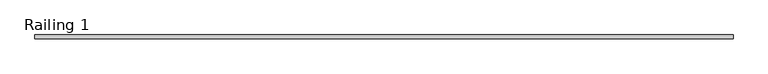
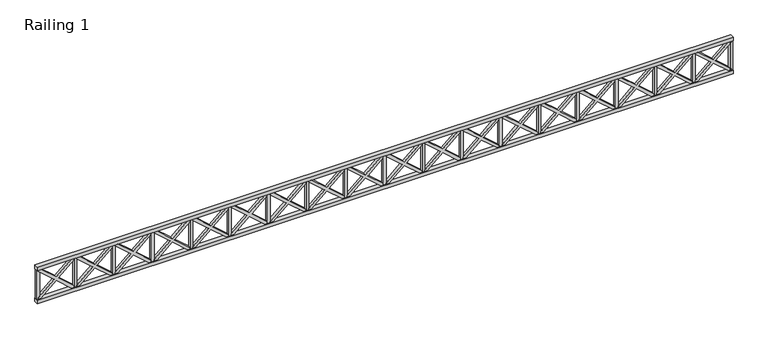
"""IFC4 building model written with IfcOpenShell, lengths in millimetres: railing geometry, Railing 1."""

from ifc_helpers import new_model, si_unit, frame, origin, origin_with_axes, place, context, project, spatial, polyline, outline, extrude, source, transform, mapped, element, save


def railing_1_b7f471b1(model_context):
    return source(origin(), model_context, "Body", "SweptSolid", [
        extrude(outline(polyline([(-920.8860759, 2912.0604782), (-920.8860759, 2962.0604782), (8079.1139241, 2962.0604782), (8079.1139241, 2912.0604782), (-920.8860759, 2912.0604782)])), origin_with_axes(), (0.0, 0.0, 1.0), 50.0),
        extrude(outline(polyline([(-920.8860759, 2912.0604782), (-920.8860759, 2962.0604782), (8079.1139241, 2962.0604782), (8079.1139241, 2912.0604782), (-920.8860759, 2912.0604782)])), frame((0.0, 0.0, 450.0), z_axis=(0.0, 0.0, 1.0), x_axis=(1.0, 0.0, 0.0)), (0.0, 0.0, 1.0), 50.0),
        extrude(outline(polyline([(450.0, 7596.6139241), (430.861956, 7596.6139241), (250.0, 7802.5911086), (69.138044, 7596.6139241), (50.0, 7596.6139241), (50.0, 7627.8639241), (226.7111669, 7829.1139241), (50.0, 8030.3639241), (50.0, 8061.6139241), (69.138044, 8061.6139241), (250.0, 7855.6367395), (430.861956, 8061.6139241), (450.0, 8061.6139241), (450.0, 8030.3639241), (273.2888331, 7829.1139241), (450.0, 7627.8639241), (450.0, 7596.6139241)])), frame((0.0, 2919.5604782, 0.0), z_axis=(0.0, 1.0, 0.0), x_axis=(0.0, 0.0, 1.0)), (0.0, 0.0, 1.0), 35.0),
        extrude(outline(polyline([(7561.6139241, 2954.5604782), (7596.6139241, 2954.5604782), (7596.6139241, 2919.5604782), (7561.6139241, 2919.5604782), (7561.6139241, 2954.5604782)])), frame((0.0, 0.0, 50.0), z_axis=(0.0, 0.0, 1.0), x_axis=(1.0, 0.0, 0.0)), (0.0, 0.0, 1.0), 400.0),
        extrude(outline(polyline([(450.0, 7096.6139241), (430.861956, 7096.6139241), (250.0, 7302.5911086), (69.138044, 7096.6139241), (50.0, 7096.6139241), (50.0, 7127.8639241), (226.7111669, 7329.1139241), (50.0, 7530.3639241), (50.0, 7561.6139241), (69.138044, 7561.6139241), (250.0, 7355.6367395), (430.861956, 7561.6139241), (450.0, 7561.6139241), (450.0, 7530.3639241), (273.2888331, 7329.1139241), (450.0, 7127.8639241), (450.0, 7096.6139241)])), frame((0.0, 2919.5604782, 0.0), z_axis=(0.0, 1.0, 0.0), x_axis=(0.0, 0.0, 1.0)), (0.0, 0.0, 1.0), 35.0),
        extrude(outline(polyline([(7061.6139241, 2954.5604782), (7096.6139241, 2954.5604782), (7096.6139241, 2919.5604782), (7061.6139241, 2919.5604782), (7061.6139241, 2954.5604782)])), frame((0.0, 0.0, 50.0), z_axis=(0.0, 0.0, 1.0), x_axis=(1.0, 0.0, 0.0)), (0.0, 0.0, 1.0), 400.0),
        extrude(outline(polyline([(450.0, 6596.6139241), (430.861956, 6596.6139241), (250.0, 6802.5911086), (69.138044, 6596.6139241), (50.0, 6596.6139241), (50.0, 6627.8639241), (226.7111669, 6829.1139241), (50.0, 7030.3639241), (50.0, 7061.6139241), (69.138044, 7061.6139241), (250.0, 6855.6367395), (430.861956, 7061.6139241), (450.0, 7061.6139241), (450.0, 7030.3639241), (273.2888331, 6829.1139241), (450.0, 6627.8639241), (450.0, 6596.6139241)])), frame((0.0, 2919.5604782, 0.0), z_axis=(0.0, 1.0, 0.0), x_axis=(0.0, 0.0, 1.0)), (0.0, 0.0, 1.0), 35.0),
        extrude(outline(polyline([(6561.6139241, 2954.5604782), (6596.6139241, 2954.5604782), (6596.6139241, 2919.5604782), (6561.6139241, 2919.5604782), (6561.6139241, 2954.5604782)])), frame((0.0, 0.0, 50.0), z_axis=(0.0, 0.0, 1.0), x_axis=(1.0, 0.0, 0.0)), (0.0, 0.0, 1.0), 400.0),
        extrude(outline(polyline([(450.0, 6096.6139241), (430.861956, 6096.6139241), (250.0, 6302.5911086), (69.138044, 6096.6139241), (50.0, 6096.6139241), (50.0, 6127.8639241), (226.7111669, 6329.1139241), (50.0, 6530.3639241), (50.0, 6561.6139241), (69.138044, 6561.6139241), (250.0, 6355.6367395), (430.861956, 6561.6139241), (450.0, 6561.6139241), (450.0, 6530.3639241), (273.2888331, 6329.1139241), (450.0, 6127.8639241), (450.0, 6096.6139241)])), frame((0.0, 2919.5604782, 0.0), z_axis=(0.0, 1.0, 0.0), x_axis=(0.0, 0.0, 1.0)), (0.0, 0.0, 1.0), 35.0),
        extrude(outline(polyline([(6061.6139241, 2954.5604782), (6096.6139241, 2954.5604782), (6096.6139241, 2919.5604782), (6061.6139241, 2919.5604782), (6061.6139241, 2954.5604782)])), frame((0.0, 0.0, 50.0), z_axis=(0.0, 0.0, 1.0), x_axis=(1.0, 0.0, 0.0)), (0.0, 0.0, 1.0), 400.0),
        extrude(outline(polyline([(450.0, 5596.6139241), (430.861956, 5596.6139241), (250.0, 5802.5911086), (69.138044, 5596.6139241), (50.0, 5596.6139241), (50.0, 5627.8639241), (226.7111669, 5829.1139241), (50.0, 6030.3639241), (50.0, 6061.6139241), (69.138044, 6061.6139241), (250.0, 5855.6367395), (430.861956, 6061.6139241), (450.0, 6061.6139241), (450.0, 6030.3639241), (273.2888331, 5829.1139241), (450.0, 5627.8639241), (450.0, 5596.6139241)])), frame((0.0, 2919.5604782, 0.0), z_axis=(0.0, 1.0, 0.0), x_axis=(0.0, 0.0, 1.0)), (0.0, 0.0, 1.0), 35.0),
        extrude(outline(polyline([(5561.6139241, 2954.5604782), (5596.6139241, 2954.5604782), (5596.6139241, 2919.5604782), (5561.6139241, 2919.5604782), (5561.6139241, 2954.5604782)])), frame((0.0, 0.0, 50.0), z_axis=(0.0, 0.0, 1.0), x_axis=(1.0, 0.0, 0.0)), (0.0, 0.0, 1.0), 400.0),
        extrude(outline(polyline([(450.0, 5096.6139241), (430.861956, 5096.6139241), (250.0, 5302.5911086), (69.138044, 5096.6139241), (50.0, 5096.6139241), (50.0, 5127.8639241), (226.7111669, 5329.1139241), (50.0, 5530.3639241), (50.0, 5561.6139241), (69.138044, 5561.6139241), (250.0, 5355.6367395), (430.861956, 5561.6139241), (450.0, 5561.6139241), (450.0, 5530.3639241), (273.2888331, 5329.1139241), (450.0, 5127.8639241), (450.0, 5096.6139241)])), frame((0.0, 2919.5604782, 0.0), z_axis=(0.0, 1.0, 0.0), x_axis=(0.0, 0.0, 1.0)), (0.0, 0.0, 1.0), 35.0),
        extrude(outline(polyline([(5061.6139241, 2954.5604782), (5096.6139241, 2954.5604782), (5096.6139241, 2919.5604782), (5061.6139241, 2919.5604782), (5061.6139241, 2954.5604782)])), frame((0.0, 0.0, 50.0), z_axis=(0.0, 0.0, 1.0), x_axis=(1.0, 0.0, 0.0)), (0.0, 0.0, 1.0), 400.0),
        extrude(outline(polyline([(450.0, 4596.6139241), (430.861956, 4596.6139241), (250.0, 4802.5911086), (69.138044, 4596.6139241), (50.0, 4596.6139241), (50.0, 4627.8639241), (226.7111669, 4829.1139241), (50.0, 5030.3639241), (50.0, 5061.6139241), (69.138044, 5061.6139241), (250.0, 4855.6367395), (430.861956, 5061.6139241), (450.0, 5061.6139241), (450.0, 5030.3639241), (273.2888331, 4829.1139241), (450.0, 4627.8639241), (450.0, 4596.6139241)])), frame((0.0, 2919.5604782, 0.0), z_axis=(0.0, 1.0, 0.0), x_axis=(0.0, 0.0, 1.0)), (0.0, 0.0, 1.0), 35.0),
        extrude(outline(polyline([(4561.6139241, 2954.5604782), (4596.6139241, 2954.5604782), (4596.6139241, 2919.5604782), (4561.6139241, 2919.5604782), (4561.6139241, 2954.5604782)])), frame((0.0, 0.0, 50.0), z_axis=(0.0, 0.0, 1.0), x_axis=(1.0, 0.0, 0.0)), (0.0, 0.0, 1.0), 400.0),
        extrude(outline(polyline([(450.0, 4096.6139241), (430.861956, 4096.6139241), (250.0, 4302.5911086), (69.138044, 4096.6139241), (50.0, 4096.6139241), (50.0, 4127.8639241), (226.7111669, 4329.1139241), (50.0, 4530.3639241), (50.0, 4561.6139241), (69.138044, 4561.6139241), (250.0, 4355.6367395), (430.861956, 4561.6139241), (450.0, 4561.6139241), (450.0, 4530.3639241), (273.2888331, 4329.1139241), (450.0, 4127.8639241), (450.0, 4096.6139241)])), frame((0.0, 2919.5604782, 0.0), z_axis=(0.0, 1.0, 0.0), x_axis=(0.0, 0.0, 1.0)), (0.0, 0.0, 1.0), 35.0),
        extrude(outline(polyline([(4061.6139241, 2954.5604782), (4096.6139241, 2954.5604782), (4096.6139241, 2919.5604782), (4061.6139241, 2919.5604782), (4061.6139241, 2954.5604782)])), frame((0.0, 0.0, 50.0), z_axis=(0.0, 0.0, 1.0), x_axis=(1.0, 0.0, 0.0)), (0.0, 0.0, 1.0), 400.0),
        extrude(outline(polyline([(450.0, 3596.6139241), (430.861956, 3596.6139241), (250.0, 3802.5911086), (69.138044, 3596.6139241), (50.0, 3596.6139241), (50.0, 3627.8639241), (226.7111669, 3829.1139241), (50.0, 4030.3639241), (50.0, 4061.6139241), (69.138044, 4061.6139241), (250.0, 3855.6367395), (430.861956, 4061.6139241), (450.0, 4061.6139241), (450.0, 4030.3639241), (273.2888331, 3829.1139241), (450.0, 3627.8639241), (450.0, 3596.6139241)])), frame((0.0, 2919.5604782, 0.0), z_axis=(0.0, 1.0, 0.0), x_axis=(0.0, 0.0, 1.0)), (0.0, 0.0, 1.0), 35.0),
        extrude(outline(polyline([(3561.6139241, 2954.5604782), (3596.6139241, 2954.5604782), (3596.6139241, 2919.5604782), (3561.6139241, 2919.5604782), (3561.6139241, 2954.5604782)])), frame((0.0, 0.0, 50.0), z_axis=(0.0, 0.0, 1.0), x_axis=(1.0, 0.0, 0.0)), (0.0, 0.0, 1.0), 400.0),
        extrude(outline(polyline([(450.0, 3096.6139241), (430.861956, 3096.6139241), (250.0, 3302.5911086), (69.138044, 3096.6139241), (50.0, 3096.6139241), (50.0, 3127.8639241), (226.7111669, 3329.1139241), (50.0, 3530.3639241), (50.0, 3561.6139241), (69.138044, 3561.6139241), (250.0, 3355.6367395), (430.861956, 3561.6139241), (450.0, 3561.6139241), (450.0, 3530.3639241), (273.2888331, 3329.1139241), (450.0, 3127.8639241), (450.0, 3096.6139241)])), frame((0.0, 2919.5604782, 0.0), z_axis=(0.0, 1.0, 0.0), x_axis=(0.0, 0.0, 1.0)), (0.0, 0.0, 1.0), 35.0),
        extrude(outline(polyline([(3061.6139241, 2954.5604782), (3096.6139241, 2954.5604782), (3096.6139241, 2919.5604782), (3061.6139241, 2919.5604782), (3061.6139241, 2954.5604782)])), frame((0.0, 0.0, 50.0), z_axis=(0.0, 0.0, 1.0), x_axis=(1.0, 0.0, 0.0)), (0.0, 0.0, 1.0), 400.0),
        extrude(outline(polyline([(450.0, 2596.6139241), (430.861956, 2596.6139241), (250.0, 2802.5911086), (69.138044, 2596.6139241), (50.0, 2596.6139241), (50.0, 2627.8639241), (226.7111669, 2829.1139241), (50.0, 3030.3639241), (50.0, 3061.6139241), (69.138044, 3061.6139241), (250.0, 2855.6367395), (430.861956, 3061.6139241), (450.0, 3061.6139241), (450.0, 3030.3639241), (273.2888331, 2829.1139241), (450.0, 2627.8639241), (450.0, 2596.6139241)])), frame((0.0, 2919.5604782, 0.0), z_axis=(0.0, 1.0, 0.0), x_axis=(0.0, 0.0, 1.0)), (0.0, 0.0, 1.0), 35.0),
        extrude(outline(polyline([(2561.6139241, 2954.5604782), (2596.6139241, 2954.5604782), (2596.6139241, 2919.5604782), (2561.6139241, 2919.5604782), (2561.6139241, 2954.5604782)])), frame((0.0, 0.0, 50.0), z_axis=(0.0, 0.0, 1.0), x_axis=(1.0, 0.0, 0.0)), (0.0, 0.0, 1.0), 400.0),
        extrude(outline(polyline([(450.0, 2096.6139241), (430.861956, 2096.6139241), (250.0, 2302.5911086), (69.138044, 2096.6139241), (50.0, 2096.6139241), (50.0, 2127.8639241), (226.7111669, 2329.1139241), (50.0, 2530.3639241), (50.0, 2561.6139241), (69.138044, 2561.6139241), (250.0, 2355.6367395), (430.861956, 2561.6139241), (450.0, 2561.6139241), (450.0, 2530.3639241), (273.2888331, 2329.1139241), (450.0, 2127.8639241), (450.0, 2096.6139241)])), frame((0.0, 2919.5604782, 0.0), z_axis=(0.0, 1.0, 0.0), x_axis=(0.0, 0.0, 1.0)), (0.0, 0.0, 1.0), 35.0),
        extrude(outline(polyline([(2061.6139241, 2954.5604782), (2096.6139241, 2954.5604782), (2096.6139241, 2919.5604782), (2061.6139241, 2919.5604782), (2061.6139241, 2954.5604782)])), frame((0.0, 0.0, 50.0), z_axis=(0.0, 0.0, 1.0), x_axis=(1.0, 0.0, 0.0)), (0.0, 0.0, 1.0), 400.0),
        extrude(outline(polyline([(450.0, 1596.6139241), (430.861956, 1596.6139241), (250.0, 1802.5911086), (69.138044, 1596.6139241), (50.0, 1596.6139241), (50.0, 1627.8639241), (226.7111669, 1829.1139241), (50.0, 2030.3639241), (50.0, 2061.6139241), (69.138044, 2061.6139241), (250.0, 1855.6367395), (430.861956, 2061.6139241), (450.0, 2061.6139241), (450.0, 2030.3639241), (273.2888331, 1829.1139241), (450.0, 1627.8639241), (450.0, 1596.6139241)])), frame((0.0, 2919.5604782, 0.0), z_axis=(0.0, 1.0, 0.0), x_axis=(0.0, 0.0, 1.0)), (0.0, 0.0, 1.0), 35.0),
        extrude(outline(polyline([(1561.6139241, 2954.5604782), (1596.6139241, 2954.5604782), (1596.6139241, 2919.5604782), (1561.6139241, 2919.5604782), (1561.6139241, 2954.5604782)])), frame((0.0, 0.0, 50.0), z_axis=(0.0, 0.0, 1.0), x_axis=(1.0, 0.0, 0.0)), (0.0, 0.0, 1.0), 400.0),
        extrude(outline(polyline([(450.0, 1096.6139241), (430.861956, 1096.6139241), (250.0, 1302.5911086), (69.138044, 1096.6139241), (50.0, 1096.6139241), (50.0, 1127.8639241), (226.7111669, 1329.1139241), (50.0, 1530.3639241), (50.0, 1561.6139241), (69.138044, 1561.6139241), (250.0, 1355.6367395), (430.861956, 1561.6139241), (450.0, 1561.6139241), (450.0, 1530.3639241), (273.2888331, 1329.1139241), (450.0, 1127.8639241), (450.0, 1096.6139241)])), frame((0.0, 2919.5604782, 0.0), z_axis=(0.0, 1.0, 0.0), x_axis=(0.0, 0.0, 1.0)), (0.0, 0.0, 1.0), 35.0),
        extrude(outline(polyline([(1061.6139241, 2954.5604782), (1096.6139241, 2954.5604782), (1096.6139241, 2919.5604782), (1061.6139241, 2919.5604782), (1061.6139241, 2954.5604782)])), frame((0.0, 0.0, 50.0), z_axis=(0.0, 0.0, 1.0), x_axis=(1.0, 0.0, 0.0)), (0.0, 0.0, 1.0), 400.0),
        extrude(outline(polyline([(450.0, 596.6139241), (430.861956, 596.6139241), (250.0, 802.5911086), (69.138044, 596.6139241), (50.0, 596.6139241), (50.0, 627.8639241), (226.7111669, 829.1139241), (50.0, 1030.3639241), (50.0, 1061.6139241), (69.138044, 1061.6139241), (250.0, 855.6367395), (430.861956, 1061.6139241), (450.0, 1061.6139241), (450.0, 1030.3639241), (273.2888331, 829.1139241), (450.0, 627.8639241), (450.0, 596.6139241)])), frame((0.0, 2919.5604782, 0.0), z_axis=(0.0, 1.0, 0.0), x_axis=(0.0, 0.0, 1.0)), (0.0, 0.0, 1.0), 35.0),
        extrude(outline(polyline([(561.6139241, 2954.5604782), (596.6139241, 2954.5604782), (596.6139241, 2919.5604782), (561.6139241, 2919.5604782), (561.6139241, 2954.5604782)])), frame((0.0, 0.0, 50.0), z_axis=(0.0, 0.0, 1.0), x_axis=(1.0, 0.0, 0.0)), (0.0, 0.0, 1.0), 400.0),
        extrude(outline(polyline([(450.0, 96.6139241), (430.861956, 96.6139241), (250.0, 302.5911086), (69.138044, 96.6139241), (50.0, 96.6139241), (50.0, 127.8639241), (226.7111669, 329.1139241), (50.0, 530.3639241), (50.0, 561.6139241), (69.138044, 561.6139241), (250.0, 355.6367395), (430.861956, 561.6139241), (450.0, 561.6139241), (450.0, 530.3639241), (273.2888331, 329.1139241), (450.0, 127.8639241), (450.0, 96.6139241)])), frame((0.0, 2919.5604782, 0.0), z_axis=(0.0, 1.0, 0.0), x_axis=(0.0, 0.0, 1.0)), (0.0, 0.0, 1.0), 35.0),
        extrude(outline(polyline([(61.6139241, 2954.5604782), (96.6139241, 2954.5604782), (96.6139241, 2919.5604782), (61.6139241, 2919.5604782), (61.6139241, 2954.5604782)])), frame((0.0, 0.0, 50.0), z_axis=(0.0, 0.0, 1.0), x_axis=(1.0, 0.0, 0.0)), (0.0, 0.0, 1.0), 400.0),
        extrude(outline(polyline([(450.0, -403.3860759), (430.861956, -403.3860759), (250.0, -197.4088914), (69.138044, -403.3860759), (50.0, -403.3860759), (50.0, -372.1360759), (226.7111669, -170.8860759), (50.0, 30.3639241), (50.0, 61.6139241), (69.138044, 61.6139241), (250.0, -144.3632605), (430.861956, 61.6139241), (450.0, 61.6139241), (450.0, 30.3639241), (273.2888331, -170.8860759), (450.0, -372.1360759), (450.0, -403.3860759)])), frame((0.0, 2919.5604782, 0.0), z_axis=(0.0, 1.0, 0.0), x_axis=(0.0, 0.0, 1.0)), (0.0, 0.0, 1.0), 35.0),
        extrude(outline(polyline([(-438.3860759, 2954.5604782), (-403.3860759, 2954.5604782), (-403.3860759, 2919.5604782), (-438.3860759, 2919.5604782), (-438.3860759, 2954.5604782)])), frame((0.0, 0.0, 50.0), z_axis=(0.0, 0.0, 1.0), x_axis=(1.0, 0.0, 0.0)), (0.0, 0.0, 1.0), 400.0),
        extrude(outline(polyline([(450.0, -903.3860759), (430.861956, -903.3860759), (250.0, -697.4088914), (69.138044, -903.3860759), (50.0, -903.3860759), (50.0, -872.1360759), (226.7111669, -670.8860759), (50.0, -469.6360759), (50.0, -438.3860759), (69.138044, -438.3860759), (250.0, -644.3632605), (430.861956, -438.3860759), (450.0, -438.3860759), (450.0, -469.6360759), (273.2888331, -670.8860759), (450.0, -872.1360759), (450.0, -903.3860759)])), frame((0.0, 2919.5604782, 0.0), z_axis=(0.0, 1.0, 0.0), x_axis=(0.0, 0.0, 1.0)), (0.0, 0.0, 1.0), 35.0),
        extrude(outline(polyline([(8044.1139241, 2954.5604782), (8079.1139241, 2954.5604782), (8079.1139241, 2919.5604782), (8044.1139241, 2919.5604782), (8044.1139241, 2954.5604782)])), frame((0.0, 0.0, 50.0), z_axis=(0.0, 0.0, 1.0), x_axis=(1.0, 0.0, 0.0)), (0.0, 0.0, 1.0), 400.0),
        extrude(outline(polyline([(-920.8860759, 2954.5604782), (-885.8860759, 2954.5604782), (-885.8860759, 2919.5604782), (-920.8860759, 2919.5604782), (-920.8860759, 2954.5604782)])), frame((0.0, 0.0, 50.0), z_axis=(0.0, 0.0, 1.0), x_axis=(1.0, 0.0, 0.0)), (0.0, 0.0, 1.0), 400.0),
    ])


if __name__ == "__main__":
    model = new_model("IFC4")
    model_context = context("Model", 3, world=origin())
    ifc_project = project(units=[si_unit("LENGTHUNIT", "METRE", prefix="MILLI")], contexts=[model_context])
    site = spatial("IfcSite", under=ifc_project)
    building = spatial("IfcBuilding", under=site)
    placement = place(None, origin())
    railing_1_shape = railing_1_b7f471b1(model_context)
    element("IfcRailing", 1, ObjectType="Railing 1", at=placement, inside=building, context=model_context, shape_type="MappedRepresentation", body=[
        mapped(railing_1_shape, transform((0.0, 0.0, 0.0), x_axis=(1.0, 0.0, 0.0), y_axis=(0.0, 1.0, 0.0), z_axis=(0.0, 0.0, 1.0))),
    ])
    save(model, "model.ifc")
